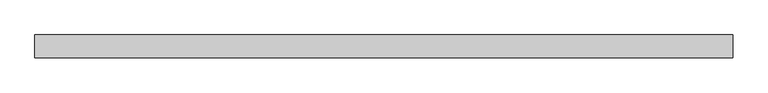
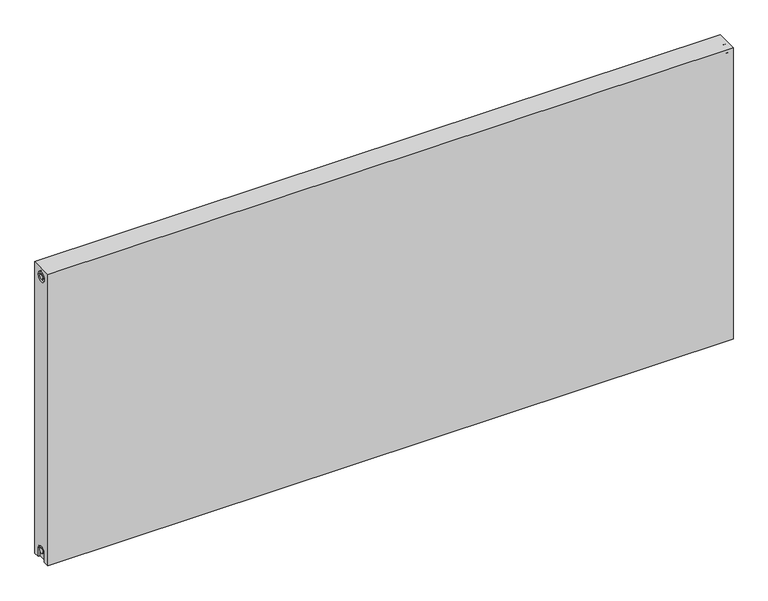
"""IFC4 building model written with IfcOpenShell, lengths in millimetres: proxy geometry."""

from ifc_helpers import new_model, si_unit, frame, origin, place, context, project, spatial, polyline, circle_curve, source, transform, mapped, element, save
from ifc_brep_helpers import plane_surface, cylinder_surface, revolved_surface, advanced_brep


def mechanical_equipment_4efd0e0a(model_context):
    return source(origin(), model_context, "Body", "AdvancedBrep", [
        advanced_brep(
        [(2000.0, 32.5, 900.0), (2000.0, 32.5, 0.0), (0.0, 32.5, 0.0), (0.0, 32.5, 900.0), (2000.0, -32.5, 900.0), (0.0, -32.5, 900.0), (0.0, -32.5, 0.0), (2000.0, -32.5, 0.0), (2000.0, -15.0, 0.0), (2000.0, -15.0, 27.0), (2000.0, 15.0, 27.0), (2000.0, 15.0, 0.0), (2000.0, 14.7242393, 873.0), (2000.0, -15.2757607, 873.0), (2000.0, -7.5, 27.0), (2000.0, 7.5, 27.0), (2000.0, 7.2242393, 873.0), (2000.0, -7.7757607, 873.0), (1995.0, 15.0, 0.0), (1995.0, -15.0, 0.0), (0.0, -15.0, 0.0), (5.0, -15.0, 0.0), (5.0, 15.0, 0.0), (0.0, 15.0, 0.0), (0.0, 15.0, 27.0), (0.0, -15.0, 27.0), (0.0, -15.2757607, 873.0), (0.0, 14.7242393, 873.0), (0.0, -7.7757607, 873.0), (0.0, 7.2242393, 873.0), (0.0, 7.5682726, 27.0), (0.0, -7.4317274, 27.0), (5.0, -15.2757607, 873.0), (5.0, 14.7242393, 873.0), (5.0, -7.7757607, 873.0), (5.0, 7.2242393, 873.0), (5.0, -15.0, 27.0), (5.0, 15.0, 27.0), (5.0, -7.4317274, 27.0), (5.0, 7.5682726, 27.0), (1995.0, 15.0, 27.0), (1995.0, -15.0, 27.0), (1995.0, -7.5, 27.0), (1995.0, 7.5, 27.0), (1995.0, -15.2757607, 873.0), (1995.0, 14.7242393, 873.0), (1995.0, -7.7757607, 873.0), (1995.0, 7.2242393, 873.0)],
        [
            (0, 1),
            (1, 2),
            (2, 3),
            (3, 0),
            (4, 5),
            (5, 6),
            (6, 7),
            (7, 4),
            (0, 4),
            (7, 8),
            (8, 9),
            (9, 10, circle_curve(frame((2000.0, 0.0, 27.0), z_axis=(-1.0, 0.0, 0.0), x_axis=(0.0, 1.0, 0.0)), 15.0)),
            (10, 11),
            (11, 1),
            (12, 13, circle_curve(frame((2000.0, -0.2757607, 873.0), z_axis=(-1.0, 0.0, 0.0), x_axis=(0.0, 1.0, 0.0)), 15.0)),
            (13, 12, circle_curve(frame((2000.0, -0.2757607, 873.0), z_axis=(-1.0, 0.0, 0.0), x_axis=(0.0, 1.0, 0.0)), 15.0)),
            (14, 15, circle_curve(frame((2000.0, 0.0, 27.0), z_axis=(1.0, 0.0, 0.0), x_axis=(0.0, 1.0, 0.0)), 7.5)),
            (15, 14, circle_curve(frame((2000.0, 0.0, 27.0), z_axis=(1.0, 0.0, 0.0), x_axis=(0.0, 1.0, 0.0)), 7.5)),
            (16, 17, circle_curve(frame((2000.0, -0.2757607, 873.0), z_axis=(1.0, 0.0, 0.0), x_axis=(0.0, 1.0, 0.0)), 7.5)),
            (17, 16, circle_curve(frame((2000.0, -0.2757607, 873.0), z_axis=(1.0, 0.0, 0.0), x_axis=(0.0, 1.0, 0.0)), 7.5)),
            (11, 18),
            (18, 19),
            (19, 8),
            (6, 20),
            (20, 21),
            (21, 22),
            (22, 23),
            (23, 2),
            (23, 24),
            (24, 25, circle_curve(frame((0.0, 0.0, 27.0), z_axis=(1.0, 0.0, 0.0), x_axis=(0.0, 1.0, 0.0)), 15.0)),
            (25, 20),
            (5, 3),
            (26, 27, circle_curve(frame((0.0, -0.2757607, 873.0), z_axis=(1.0, 0.0, 0.0), x_axis=(0.0, 1.0, 0.0)), 15.0)),
            (27, 26, circle_curve(frame((0.0, -0.2757607, 873.0), z_axis=(1.0, 0.0, 0.0), x_axis=(0.0, 1.0, 0.0)), 15.0)),
            (28, 29, circle_curve(frame((0.0, -0.2757607, 873.0), z_axis=(-1.0, 0.0, 0.0), x_axis=(0.0, 1.0, 0.0)), 7.5)),
            (29, 28, circle_curve(frame((0.0, -0.2757607, 873.0), z_axis=(-1.0, 0.0, 0.0), x_axis=(0.0, 1.0, 0.0)), 7.5)),
            (30, 31, circle_curve(frame((0.0, 0.0682726, 27.0), z_axis=(-1.0, 0.0, 0.0), x_axis=(0.0, 1.0, 0.0)), 7.5)),
            (31, 30, circle_curve(frame((0.0, 0.0682726, 27.0), z_axis=(-1.0, 0.0, 0.0), x_axis=(0.0, 1.0, 0.0)), 7.5)),
            (32, 33, circle_curve(frame((5.0, -0.2757607, 873.0), z_axis=(-1.0, 0.0, 0.0), x_axis=(0.0, 1.0, 0.0)), 15.0)),
            (33, 32, circle_curve(frame((5.0, -0.2757607, 873.0), z_axis=(-1.0, 0.0, 0.0), x_axis=(0.0, 1.0, 0.0)), 15.0)),
            (34, 35, circle_curve(frame((5.0, -0.2757607, 873.0), z_axis=(1.0, 0.0, 0.0), x_axis=(0.0, 1.0, 0.0)), 7.5)),
            (35, 34, circle_curve(frame((5.0, -0.2757607, 873.0), z_axis=(1.0, 0.0, 0.0), x_axis=(0.0, 1.0, 0.0)), 7.5)),
            (33, 27),
            (26, 32),
            (35, 29),
            (28, 34),
            (21, 36),
            (36, 37, circle_curve(frame((5.0, 0.0, 27.0), z_axis=(-1.0, 0.0, 0.0), x_axis=(0.0, 1.0, 0.0)), 15.0)),
            (37, 22),
            (38, 39, circle_curve(frame((5.0, 0.0682726, 27.0), z_axis=(1.0, 0.0, 0.0), x_axis=(0.0, 1.0, 0.0)), 7.5)),
            (39, 38, circle_curve(frame((5.0, 0.0682726, 27.0), z_axis=(1.0, 0.0, 0.0), x_axis=(0.0, 1.0, 0.0)), 7.5)),
            (38, 31),
            (30, 39),
            (37, 24),
            (36, 25),
            (18, 40),
            (40, 41, circle_curve(frame((1995.0, 0.0, 27.0), z_axis=(1.0, 0.0, 0.0), x_axis=(0.0, 1.0, 0.0)), 15.0)),
            (41, 19),
            (42, 43, circle_curve(frame((1995.0, 0.0, 27.0), z_axis=(-1.0, 0.0, 0.0), x_axis=(0.0, 1.0, 0.0)), 7.5)),
            (43, 42, circle_curve(frame((1995.0, 0.0, 27.0), z_axis=(-1.0, 0.0, 0.0), x_axis=(0.0, 1.0, 0.0)), 7.5)),
            (43, 15),
            (14, 42),
            (10, 40),
            (9, 41),
            (44, 45, circle_curve(frame((1995.0, -0.2757607, 873.0), z_axis=(1.0, 0.0, 0.0), x_axis=(0.0, 1.0, 0.0)), 15.0)),
            (45, 44, circle_curve(frame((1995.0, -0.2757607, 873.0), z_axis=(1.0, 0.0, 0.0), x_axis=(0.0, 1.0, 0.0)), 15.0)),
            (46, 47, circle_curve(frame((1995.0, -0.2757607, 873.0), z_axis=(-1.0, 0.0, 0.0), x_axis=(0.0, 1.0, 0.0)), 7.5)),
            (47, 46, circle_curve(frame((1995.0, -0.2757607, 873.0), z_axis=(-1.0, 0.0, 0.0), x_axis=(0.0, 1.0, 0.0)), 7.5)),
            (44, 13),
            (12, 45),
            (46, 17),
            (16, 47),
        ],
        [
            plane_surface(frame((2000.0, 32.5, 900.0), z_axis=(0.0, 1.0, 0.0), x_axis=(0.0, 0.0, -1.0))),
            plane_surface(frame((2000.0, -32.5, 900.0), z_axis=(0.0, -1.0, 0.0), x_axis=(0.0, 0.0, 1.0))),
            plane_surface(frame((2000.0, 32.5, 900.0), z_axis=(1.0, 0.0, 0.0), x_axis=(0.0, -1.0, 0.0))),
            plane_surface(frame((2000.0, 32.5, 0.0), z_axis=(0.0, 0.0, -1.0), x_axis=(0.0, -1.0, 0.0))),
            plane_surface(frame((0.0, 32.5, 0.0), z_axis=(-1.0, 0.0, 0.0), x_axis=(0.0, -1.0, 0.0))),
            plane_surface(frame((0.0, 32.5, 900.0), z_axis=(0.0, 0.0, 1.0), x_axis=(0.0, -1.0, 0.0))),
            plane_surface(frame((5.0, 14.7242393, 873.0), z_axis=(-1.0, 0.0, 0.0), x_axis=(0.0, 0.0, 1.0))),
            revolved_surface(polyline([(5.0, 14.7242393, 873.0), (0.0, 14.7242393, 873.0)]), (0.0, -0.2757607, 873.0), (1.0, 0.0, 0.0)),
            cylinder_surface(frame((0.0, -0.2757607, 873.0), z_axis=(-1.0, 0.0, 0.0), x_axis=(0.0, 1.0, 0.0)), 7.5),
            plane_surface(frame((5.0, 7.5682726, 27.0), z_axis=(-1.0, 0.0, 0.0), x_axis=(0.0, 0.0, -1.0))),
            cylinder_surface(frame((0.0, 0.0682726, 27.0), z_axis=(-1.0, 0.0, 0.0), x_axis=(0.0, 1.0, 0.0)), 7.5),
            plane_surface(frame((5.0, 15.0, 0.0), z_axis=(0.0, -1.0, 0.0), x_axis=(-1.0, 0.0, 0.0))),
            revolved_surface(polyline([(5.0, 15.0, 27.0), (0.0, 15.0, 27.0)]), (0.0, 0.0, 27.0), (1.0, 0.0, 0.0)),
            plane_surface(frame((5.0, -15.0, 27.0), z_axis=(0.0, 1.0, 0.0), x_axis=(-1.0, 0.0, 0.0))),
            plane_surface(frame((1995.0, 7.5, 27.0), z_axis=(1.0, 0.0, 0.0), x_axis=(0.0, 0.0, 1.0))),
            cylinder_surface(frame((1995.0, 0.0, 27.0), z_axis=(-1.0, 0.0, 0.0), x_axis=(0.0, 1.0, 0.0)), 7.5),
            plane_surface(frame((2000.0, 15.0, 0.0), z_axis=(0.0, -1.0, 0.0), x_axis=(-1.0, 0.0, 0.0))),
            revolved_surface(polyline([(2000.0, 15.0, 27.0), (1995.0, 15.0, 27.0)]), (895.0, 0.0, 27.0), (1.0, 0.0, 0.0)),
            plane_surface(frame((2000.0, -15.0, 27.0), z_axis=(0.0, 1.0, 0.0), x_axis=(-1.0, 0.0, 0.0))),
            plane_surface(frame((1995.0, 14.7242393, 873.0), z_axis=(1.0, 0.0, 0.0), x_axis=(0.0, 0.0, -1.0))),
            revolved_surface(polyline([(2000.0, 14.7242393, 873.0), (1995.0, 14.7242393, 873.0)]), (1995.0, -0.2757607, 873.0), (1.0, 0.0, 0.0)),
            cylinder_surface(frame((895.0, -0.2757607, 873.0), z_axis=(-1.0, 0.0, 0.0), x_axis=(0.0, 1.0, 0.0)), 7.5),
        ],
        [
            (0, [[1, 2, 3, 4]]),
            (1, [[5, 6, 7, 8]]),
            (2, [[-1, 9, -8, 10, 11, 12, 13, 14], [15, 16]]),
            (2, [[17, 18]]),
            (2, [[19, 20]]),
            (3, [[-2, -14, 21, 22, 23, -10, -7, 24, 25, 26, 27, 28]]),
            (4, [[-3, -28, 29, 30, 31, -24, -6, 32], [33, 34]]),
            (4, [[35, 36]]),
            (4, [[37, 38]]),
            (5, [[-4, -32, -5, -9]]),
            (6, [[39, 40], [41, 42]]),
            (7, [[-40, 43, -33, 44]]),
            (7, [[-39, -44, -34, -43]]),
            (8, [[-42, 45, -35, 46]]),
            (8, [[-41, -46, -36, -45]]),
            (9, [[47, 48, 49, -26], [50, 51]]),
            (10, [[-50, 52, -37, 53]]),
            (10, [[-51, -53, -38, -52]]),
            (11, [[-49, 54, -29, -27]]),
            (12, [[-48, 55, -30, -54]]),
            (13, [[-47, -25, -31, -55]]),
            (14, [[56, 57, 58, -22], [59, 60]]),
            (15, [[-60, 61, -17, 62]]),
            (15, [[-59, -62, -18, -61]]),
            (16, [[-56, -21, -13, 63]]),
            (17, [[-57, -63, -12, 64]]),
            (18, [[-58, -64, -11, -23]]),
            (19, [[65, 66], [67, 68]]),
            (20, [[-65, 69, -15, 70]]),
            (20, [[-66, -70, -16, -69]]),
            (21, [[-67, 71, -19, 72]]),
            (21, [[-68, -72, -20, -71]]),
        ],
    ),
    ])


if __name__ == "__main__":
    model = new_model("IFC4")
    model_context = context("Model", 3, world=origin())
    ifc_project = project(units=[si_unit("LENGTHUNIT", "METRE", prefix="MILLI")], contexts=[model_context])
    site = spatial("IfcSite", under=ifc_project)
    building = spatial("IfcBuilding", under=site)
    placement = place(None, origin())
    mechanical_equipment_shape = mechanical_equipment_4efd0e0a(model_context)
    element("IfcBuildingElementProxy", 1, Name="Mechanical Equipment", at=placement, inside=building, context=model_context, shape_type="MappedRepresentation", body=[
        mapped(mechanical_equipment_shape, transform((0.0, 0.0, 0.0), x_axis=(1.0, 0.0, 0.0), y_axis=(0.0, 1.0, 0.0), z_axis=(0.0, 0.0, 1.0))),
    ])
    save(model, "model.ifc")
